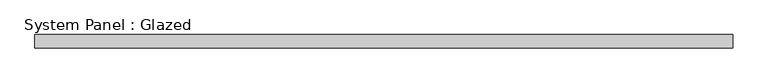
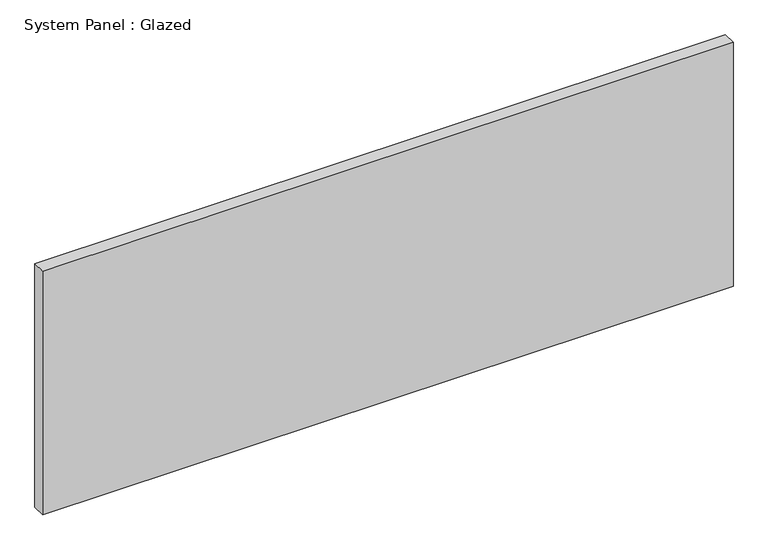
"""IFC4 building model written with IfcOpenShell, lengths in millimetres: plate geometry, System Panel : Glazed."""

from ifc_helpers import new_model, si_unit, origin, origin_with_axes, place, context, project, spatial, polyline, outline, extrude, source, transform, mapped, element, save


def system_panel_glazed_149be926(model_context):
    return source(origin(), model_context, "Body", "SweptSolid", [
        extrude(outline(polyline([(664.9166667, -44.45), (-664.9166667, -44.45), (-664.9166667, -19.05), (664.9166667, -19.05), (664.9166667, -44.45)])), origin_with_axes(), (0.0, 0.0, 1.0), 496.35),
    ])


if __name__ == "__main__":
    model = new_model("IFC4")
    model_context = context("Model", 3, world=origin())
    ifc_project = project(units=[si_unit("LENGTHUNIT", "METRE", prefix="MILLI")], contexts=[model_context])
    site = spatial("IfcSite", under=ifc_project)
    building = spatial("IfcBuilding", under=site)
    placement = place(None, origin())
    system_panel_glazed_shape = system_panel_glazed_149be926(model_context)
    element("IfcPlate", 1, ObjectType="System Panel : Glazed", at=placement, inside=building, context=model_context, shape_type="MappedRepresentation", body=[
        mapped(system_panel_glazed_shape, transform((0.0, 0.0, 0.0), x_axis=(1.0, 0.0, 0.0), y_axis=(0.0, 1.0, 0.0), z_axis=(0.0, 0.0, 1.0))),
    ])
    save(model, "model.ifc")
